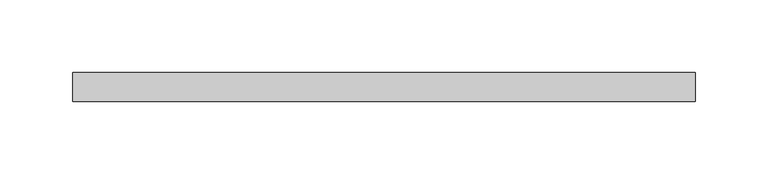
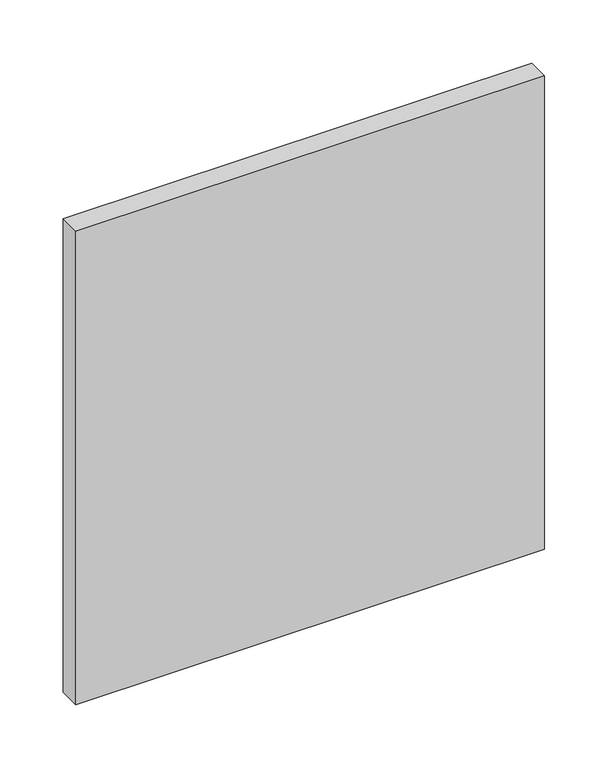
"""IFC4 building model written with IfcOpenShell, lengths in millimetres: plate geometry."""

from ifc_helpers import new_model, si_unit, origin, origin_with_axes, place, context, project, spatial, polyline, outline, extrude, source, transform, mapped, element, save


def plate_eb929351(model_context):
    return source(origin(), model_context, "Body", "SweptSolid", [
        extrude(outline(polyline([(214.3421053, 70.0), (-214.3421053, 70.0), (-214.3421053, 90.0), (214.3421053, 90.0), (214.3421053, 70.0)])), origin_with_axes(), (0.0, 0.0, 1.0), 457.7375),
    ])


if __name__ == "__main__":
    model = new_model("IFC4")
    model_context = context("Model", 3, world=origin())
    ifc_project = project(units=[si_unit("LENGTHUNIT", "METRE", prefix="MILLI")], contexts=[model_context])
    site = spatial("IfcSite", under=ifc_project)
    building = spatial("IfcBuilding", under=site)
    placement = place(None, origin())
    plate_shape = plate_eb929351(model_context)
    element("IfcPlate", 1, at=placement, inside=building, context=model_context, shape_type="MappedRepresentation", body=[
        mapped(plate_shape, transform((0.0, 0.0, 0.0), x_axis=(1.0, 0.0, 0.0), y_axis=(0.0, 1.0, 0.0), z_axis=(0.0, 0.0, 1.0))),
    ])
    save(model, "model.ifc")
